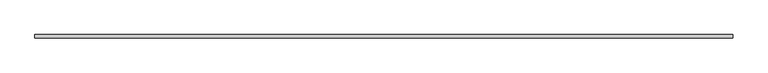
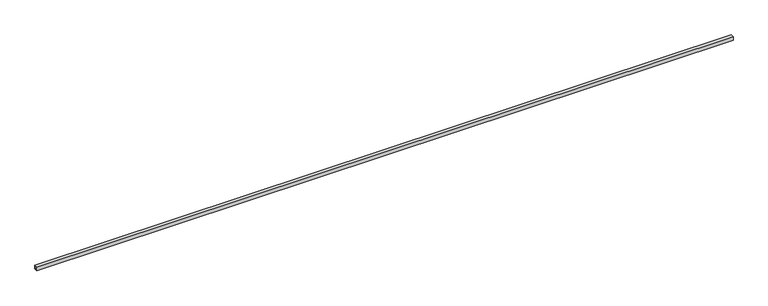
"""IFC4 building model written with IfcOpenShell, lengths in millimetres: proxy geometry."""

from ifc_helpers import new_model, si_unit, frame, origin, place, context, project, spatial, polyline, outline, extrude, source, transform, mapped, element, save


def generic_models_810d3580(model_context):
    return source(origin(), model_context, "Body", "SweptSolid", [
        extrude(outline(polyline([(5.0, 0.0), (5.0, -10.0), (-5.0, -10.0), (-5.0, 0.0), (5.0, 0.0)]), holes=[polyline([(4.0, -1.0), (-4.0, -1.0), (-4.0, -9.0), (4.0, -9.0), (4.0, -1.0)])]), frame((0.0, 0.0, 0.0), z_axis=(1.0, 0.0, 0.0), x_axis=(0.0, 1.0, 0.0)), (0.0, 0.0, 1.0), 2000.0),
    ])


if __name__ == "__main__":
    model = new_model("IFC4")
    model_context = context("Model", 3, world=origin())
    ifc_project = project(units=[si_unit("LENGTHUNIT", "METRE", prefix="MILLI")], contexts=[model_context])
    site = spatial("IfcSite", under=ifc_project)
    building = spatial("IfcBuilding", under=site)
    placement = place(None, origin())
    generic_models_shape = generic_models_810d3580(model_context)
    element("IfcBuildingElementProxy", 1, Name="Generic Models", at=placement, inside=building, context=model_context, shape_type="MappedRepresentation", body=[
        mapped(generic_models_shape, transform((0.0, 0.0, 0.0), x_axis=(1.0, 0.0, 0.0), y_axis=(0.0, 1.0, 0.0), z_axis=(0.0, 0.0, 1.0))),
    ])
    save(model, "model.ifc")
